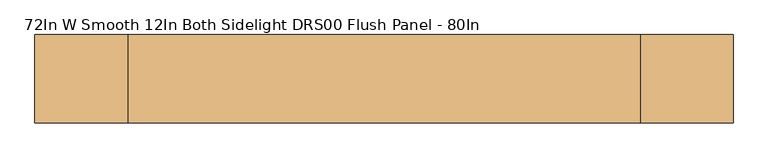
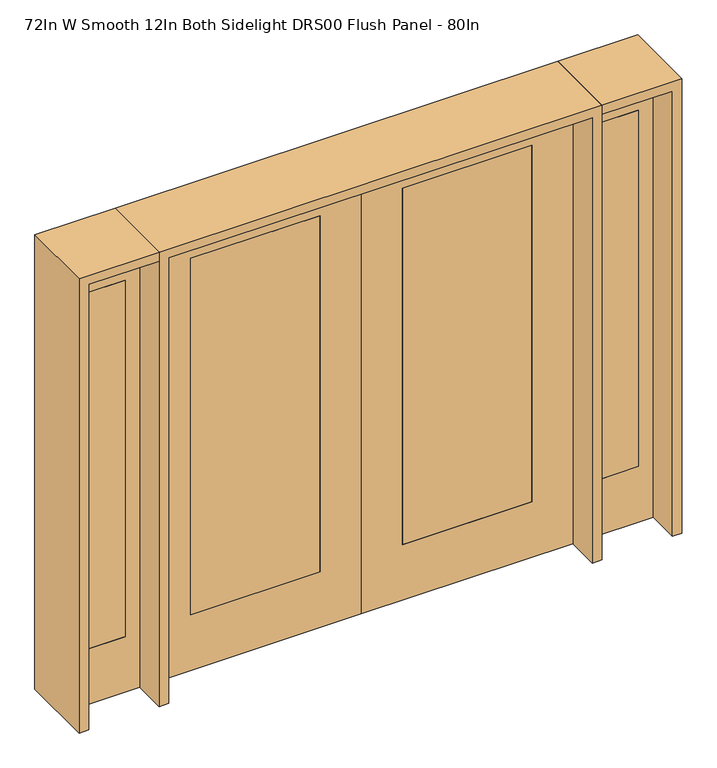
"""IFC4 building model written with IfcOpenShell, lengths in millimetres: door geometry, 72In W Smooth 12In Both Sidelight DRS00 Flush Panel - 80In."""

from ifc_helpers import new_model, si_unit, frame, origin, place, context, project, spatial, polyline, outline, extrude, source, transform, mapped, element, save


def door_72in_w_smooth_12in_both_sidelight_drs00_flush_panel_f9d39131(model_context):
    return source(origin(), model_context, "Body", "SweptSolid", [
        extrude(outline(polyline([(2032.0, -914.4), (0.0, -914.4), (0.0, 0.0), (2032.0, 0.0), (2032.0, -914.4)]), holes=[polyline([(254.0, -736.6), (1879.6, -736.6), (1879.6, -177.8), (254.0, -177.8), (254.0, -736.6)])]), frame((0.0, -20.701, 0.0), z_axis=(0.0, 1.0, 0.0), x_axis=(0.0, 0.0, 1.0)), (0.0, 0.0, 1.0), 41.402),
        extrude(outline(polyline([(-736.6, -20.701), (-736.6, 20.701), (-177.8, 20.701), (-177.8, -20.701), (-736.6, -20.701)])), frame((0.0, 0.0, 254.0), z_axis=(0.0, 0.0, 1.0), x_axis=(1.0, 0.0, 0.0)), (0.0, 0.0, 1.0), 1625.6),
        extrude(outline(polyline([(1196.975, -20.6375), (1019.175, -20.6375), (1019.175, 20.6375), (1196.975, 20.6375), (1196.975, -20.6375)])), frame((0.0, 0.0, 254.0), z_axis=(0.0, 0.0, 1.0), x_axis=(1.0, 0.0, 0.0)), (0.0, 0.0, 1.0), 1625.6),
        extrude(outline(polyline([(0.0, 955.675), (0.0, 1260.475), (2032.0, 1260.475), (2032.0, 955.675), (0.0, 955.675)]), holes=[polyline([(1879.6, 1196.975), (254.0, 1196.975), (254.0, 1019.175), (1879.6, 1019.175), (1879.6, 1196.975)])]), frame((0.0, -20.6375, 0.0), z_axis=(0.0, 1.0, 0.0), x_axis=(0.0, 0.0, 1.0)), (0.0, 0.0, 1.0), 41.275),
        extrude(outline(polyline([(-1019.175, -20.6375), (-1196.975, -20.6375), (-1196.975, 20.6375), (-1019.175, 20.6375), (-1019.175, -20.6375)])), frame((0.0, 0.0, 254.0), z_axis=(0.0, 0.0, 1.0), x_axis=(1.0, 0.0, 0.0)), (0.0, 0.0, 1.0), 1625.6),
        extrude(outline(polyline([(0.0, -1260.475), (0.0, -955.675), (2032.0, -955.675), (2032.0, -1260.475), (0.0, -1260.475)]), holes=[polyline([(1879.6, -1019.175), (254.0, -1019.175), (254.0, -1196.975), (1879.6, -1196.975), (1879.6, -1019.175)])]), frame((0.0, -20.6375, 0.0), z_axis=(0.0, 1.0, 0.0), x_axis=(0.0, 0.0, 1.0)), (0.0, 0.0, 1.0), 41.275),
        extrude(outline(polyline([(2032.0, 914.4), (2032.0, 0.0), (0.0, 0.0), (0.0, 914.4), (2032.0, 914.4)]), holes=[polyline([(254.0, 736.6), (254.0, 177.8), (1879.6, 177.8), (1879.6, 736.6), (254.0, 736.6)])]), frame((0.0, -20.701, 0.0), z_axis=(0.0, 1.0, 0.0), x_axis=(0.0, 0.0, 1.0)), (0.0, 0.0, 1.0), 41.402),
        extrude(outline(polyline([(736.6, -20.701), (177.8, -20.701), (177.8, 20.701), (736.6, 20.701), (736.6, -20.701)])), frame((0.0, 0.0, 254.0), z_axis=(0.0, 0.0, 1.0), x_axis=(1.0, 0.0, 0.0)), (0.0, 0.0, 1.0), 1625.6),
        extrude(outline(polyline([(2032.0, -955.675), (2073.275, -955.675), (2073.275, -1301.75), (0.0, -1301.75), (0.0, -1260.475), (2032.0, -1260.475), (2032.0, -955.675)])), frame((0.0, -165.1, 0.0), z_axis=(0.0, 1.0, 0.0), x_axis=(0.0, 0.0, 1.0)), (0.0, 0.0, 1.0), 330.2),
        extrude(outline(polyline([(2073.275, -955.675), (0.0, -955.675), (0.0, -914.4), (2032.0, -914.4), (2032.0, 914.4), (0.0, 914.4), (0.0, 955.675), (2073.275, 955.675), (2073.275, -955.675)])), frame((0.0, -165.1, 0.0), z_axis=(0.0, 1.0, 0.0), x_axis=(0.0, 0.0, 1.0)), (0.0, 0.0, 1.0), 330.2),
        extrude(outline(polyline([(0.0, 1260.475), (0.0, 1301.75), (2073.275, 1301.75), (2073.275, 955.675), (2032.0, 955.675), (2032.0, 1260.475), (0.0, 1260.475)])), frame((0.0, -165.1, 0.0), z_axis=(0.0, 1.0, 0.0), x_axis=(0.0, 0.0, 1.0)), (0.0, 0.0, 1.0), 330.2),
    ])


if __name__ == "__main__":
    model = new_model("IFC4")
    model_context = context("Model", 3, world=origin())
    ifc_project = project(units=[si_unit("LENGTHUNIT", "METRE", prefix="MILLI")], contexts=[model_context])
    site = spatial("IfcSite", under=ifc_project)
    building = spatial("IfcBuilding", under=site)
    placement = place(None, origin())
    door_72in_w_smooth_12in_both_sidelight_drs00_flush_panel_shape = door_72in_w_smooth_12in_both_sidelight_drs00_flush_panel_f9d39131(model_context)
    element("IfcDoor", 1, ObjectType="72In W Smooth 12In Both Sidelight DRS00 Flush Panel - 80In", at=placement, inside=building, context=model_context, shape_type="MappedRepresentation", body=[
        mapped(door_72in_w_smooth_12in_both_sidelight_drs00_flush_panel_shape, transform((0.0, 0.0, 0.0), x_axis=(1.0, 0.0, 0.0), y_axis=(0.0, 1.0, 0.0), z_axis=(0.0, 0.0, 1.0))),
    ])
    save(model, "model.ifc")
